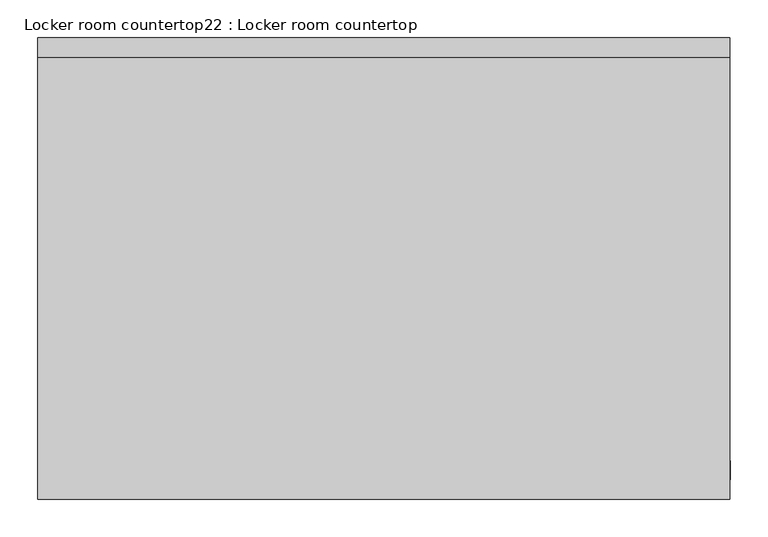
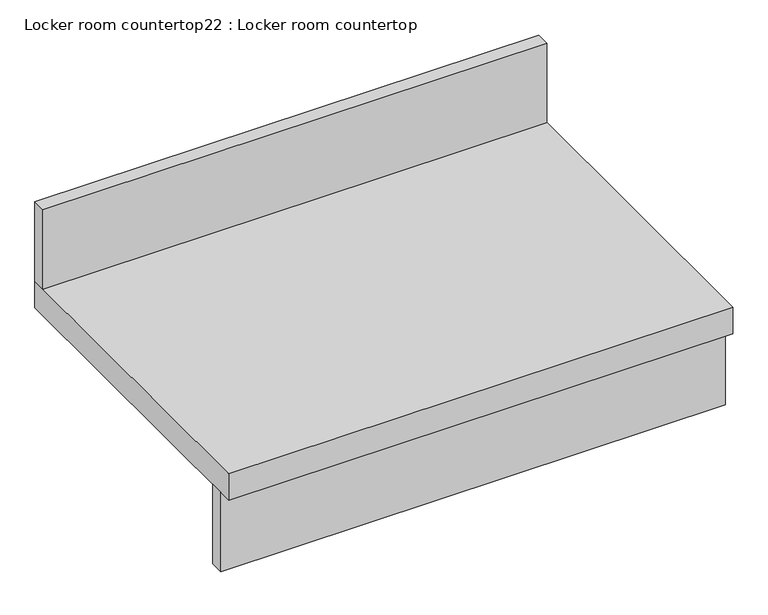
"""IFC4 building model written with IfcOpenShell, lengths in millimetres: furniture geometry, Locker room countertop22 : Locker room countertop."""

from ifc_helpers import new_model, si_unit, frame, origin, place, context, project, spatial, polyline, outline, extrude, source, transform, mapped, element, save


def locker_room_countertop22_locker_room_countertop_e0674ef7(model_context):
    return source(origin(), model_context, "Body", "SweptSolid", [
        extrude(outline(polyline([(324691.2769212, -322135.3233948), (323776.0728668, -322135.3233948), (323776.0728668, -322109.9233948), (324691.2769212, -322109.9233948), (324691.2769212, -322135.3233948)])), frame((0.0, 0.0, 660.4), z_axis=(0.0, 0.0, 1.0), x_axis=(1.0, 0.0, 0.0)), (0.0, 0.0, 1.0), 152.4),
        extrude(outline(polyline([(323776.0728668, -321576.5233948), (323776.0728668, -321551.1233948), (324690.4728668, -321551.1233948), (324690.4728668, -321576.5233948), (323776.0728668, -321576.5233948)])), frame((0.0, 0.0, 863.6), z_axis=(0.0, 0.0, 1.0), x_axis=(1.0, 0.0, 0.0)), (0.0, 0.0, 1.0), 152.4),
        extrude(outline(polyline([(323776.0728668, -322160.7233948), (323776.0728668, -321551.1233948), (324690.4728668, -321551.1233948), (324690.4728668, -322160.7233948), (323776.0728668, -322160.7233948)])), frame((0.0, 0.0, 812.8), z_axis=(0.0, 0.0, 1.0), x_axis=(1.0, 0.0, 0.0)), (0.0, 0.0, 1.0), 50.8),
    ])


if __name__ == "__main__":
    model = new_model("IFC4")
    model_context = context("Model", 3, world=origin())
    ifc_project = project(units=[si_unit("LENGTHUNIT", "METRE", prefix="MILLI")], contexts=[model_context])
    site = spatial("IfcSite", under=ifc_project)
    building = spatial("IfcBuilding", under=site)
    placement = place(None, origin())
    locker_room_countertop22_locker_room_countertop_shape = locker_room_countertop22_locker_room_countertop_e0674ef7(model_context)
    element("IfcFurniture", 1, ObjectType="Locker room countertop22 : Locker room countertop", at=placement, inside=building, context=model_context, shape_type="MappedRepresentation", body=[
        mapped(locker_room_countertop22_locker_room_countertop_shape, transform((0.0, 0.0, 0.0), x_axis=(1.0, 0.0, 0.0), y_axis=(0.0, 1.0, 0.0), z_axis=(0.0, 0.0, 1.0))),
    ])
    save(model, "model.ifc")
